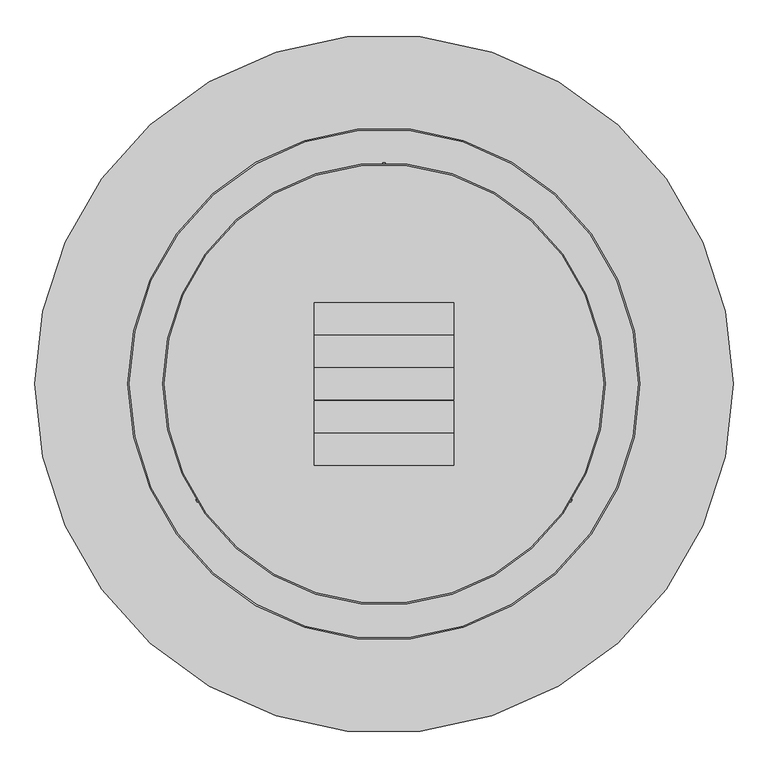
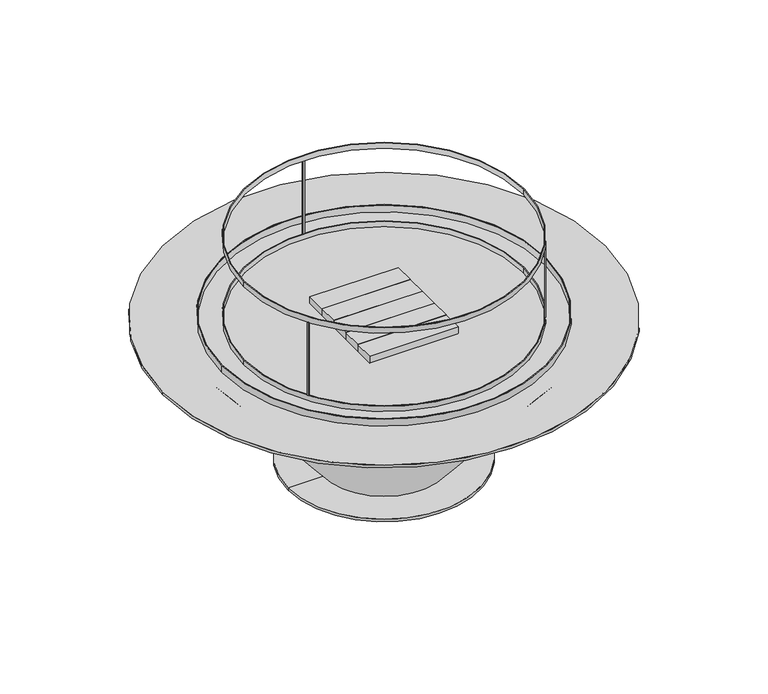
"""IFC4 building model written with IfcOpenShell, lengths in millimetres: proxy geometry."""

from ifc_helpers import new_model, si_unit, point, frame, origin, origin_2d, place, context, project, spatial, polyline, circle_curve, trimmed, segment, composite_curve, outline, extrude, source, transform, mapped, element, save
from ifc_brep_helpers import plane_surface, cylinder_surface, revolved_surface, advanced_brep


def generic_models_5333ff14(model_context):
    return source(origin(), model_context, "Body", "SolidModel", [
        extrude(outline(composite_curve([segment(trimmed(circle_curve(origin_2d(), 762.0), [point((-762.0, 0.0))], [point((762.0, 0.0))], False, "CARTESIAN"), True, "CONTINUOUS"), segment(trimmed(circle_curve(origin_2d(), 762.0), [point((762.0, 0.0))], [point((-762.0, 0.0))], False, "CARTESIAN"), True, "CONTINUOUS")], self_intersect=False)), frame((0.0, 0.0, 498.475), z_axis=(0.0, 0.0, 1.0), x_axis=(1.0, 0.0, 0.0)), (0.0, 0.0, 1.0), 9.525),
        advanced_brep(
        [(609.6, 0.0, 498.475), (-609.6, 0.0, 498.475), (-329.8846811, 0.0, 0.0), (329.8846811, 0.0, 0.0), (-210.9656051, 0.0, 9.525), (210.9656051, 0.0, 9.525), (329.8846811, 0.0, 9.525), (-329.8846811, 0.0, 9.525)],
        [
            (0, 1, circle_curve(frame((0.0, 0.0, 498.475), z_axis=(0.0, 0.0, 1.0), x_axis=(1.0, 0.0, 0.0)), 609.6)),
            (1, 0, circle_curve(frame((0.0, 0.0, 498.475), z_axis=(0.0, 0.0, 1.0), x_axis=(1.0, 0.0, 0.0)), 609.6)),
            (2, 3, circle_curve(frame((0.0, 0.0, 0.0), z_axis=(0.0, 0.0, -1.0), x_axis=(1.0, 0.0, 0.0)), 329.8846811)),
            (3, 2, circle_curve(frame((0.0, 0.0, 0.0), z_axis=(0.0, 0.0, -1.0), x_axis=(1.0, 0.0, 0.0)), 329.8846811)),
            (4, 1),
            (0, 5),
            (5, 4, circle_curve(frame((0.0, 0.0, 9.525), z_axis=(0.0, 0.0, 1.0), x_axis=(1.0, 0.0, 0.0)), 210.9656051)),
            (4, 5, circle_curve(frame((0.0, 0.0, 9.525), z_axis=(0.0, 0.0, 1.0), x_axis=(1.0, 0.0, 0.0)), 210.9656051)),
            (5, 6),
            (6, 7, circle_curve(frame((0.0, 0.0, 9.525), z_axis=(0.0, 0.0, 1.0), x_axis=(1.0, 0.0, 0.0)), 329.8846811)),
            (7, 4),
            (7, 6, circle_curve(frame((0.0, 0.0, 9.525), z_axis=(0.0, 0.0, 1.0), x_axis=(1.0, 0.0, 0.0)), 329.8846811)),
            (6, 3),
            (2, 7),
        ],
        [
            plane_surface(frame((609.6, 0.0, 498.475), z_axis=(0.0, 0.0, 1.0), x_axis=(0.0, 1.0, 0.0))),
            plane_surface(frame((609.6, 0.0, 0.0), z_axis=(0.0, 0.0, -1.0), x_axis=(0.0, -1.0, 0.0))),
            revolved_surface(polyline([(210.9656051, 0.0, 9.525), (609.6, 0.0, 498.475)]), (0.0, 0.0, 2214.3150031), (0.0, 0.0, 1.0)),
            plane_surface(frame((0.0, 0.0, 9.525), z_axis=(0.0, 0.0, 1.0), x_axis=(1.0, 0.0, 0.0))),
            cylinder_surface(frame((0.0, 0.0, 2214.3150031), z_axis=(0.0, 0.0, 1.0), x_axis=(1.0, 0.0, 0.0)), 329.8846811),
        ],
        [
            (0, [[1, 2]]),
            (1, [[3, 4]]),
            (2, [[5, -1, 6, 7]]),
            (2, [[-5, 8, -6, -2]]),
            (3, [[-7, 9, 10, 11]]),
            (3, [[-8, -11, 12, -9]]),
            (4, [[-10, 13, -3, 14]]),
            (4, [[-12, -14, -4, -13]]),
        ],
    ),
        extrude(outline(composite_curve([segment(trimmed(circle_curve(origin_2d(), 482.6), [point((-407.5766604, -258.426055))], [point((-410.9416477, -253.0409496))], False, "CARTESIAN"), True, "CONTINUOUS"), segment(polyline([(-410.9416477, -253.0409496), (-408.2490363, -251.3584193)]), True, "CONTINUOUS"), segment(trimmed(circle_curve(origin_2d(), 479.425), [point((-408.2490363, -251.3584193))], [point((-404.884049, -256.7435247))], True, "CARTESIAN"), True, "CONTINUOUS"), segment(polyline([(-404.884049, -256.7435247), (-407.5766604, -258.426055)]), True, "CONTINUOUS")], self_intersect=False)), frame((0.0, 0.0, 527.05), z_axis=(0.0, 0.0, 1.0), x_axis=(1.0, 0.0, 0.0)), (0.0, 0.0, 1.0), 266.7),
        extrude(outline(composite_curve([segment(trimmed(circle_curve(origin_2d(), 482.6), [point((410.9416477, -253.0409496))], [point((407.5766604, -258.426055))], False, "CARTESIAN"), True, "CONTINUOUS"), segment(polyline([(407.5766604, -258.426055), (404.884049, -256.7435247)]), True, "CONTINUOUS"), segment(trimmed(circle_curve(origin_2d(), 479.425), [point((404.884049, -256.7435247))], [point((408.2490363, -251.3584193))], True, "CARTESIAN"), True, "CONTINUOUS"), segment(polyline([(408.2490363, -251.3584193), (410.9416477, -253.0409496)]), True, "CONTINUOUS")], self_intersect=False)), frame((0.0, 0.0, 527.05), z_axis=(0.0, 0.0, 1.0), x_axis=(1.0, 0.0, 0.0)), (0.0, 0.0, 1.0), 266.7),
        extrude(outline(composite_curve([segment(trimmed(circle_curve(origin_2d(), 482.6), [point((-3.175, 482.5895558))], [point((3.175, 482.5895558))], False, "CARTESIAN"), True, "CONTINUOUS"), segment(polyline([(3.175, 482.5895558), (3.175, 479.4144866)]), True, "CONTINUOUS"), segment(trimmed(circle_curve(origin_2d(), 479.425), [point((3.175, 479.4144866))], [point((-3.175, 479.4144866))], True, "CARTESIAN"), True, "CONTINUOUS"), segment(polyline([(-3.175, 479.4144866), (-3.175, 482.5895558)]), True, "CONTINUOUS")], self_intersect=False)), frame((0.0, 0.0, 527.05), z_axis=(0.0, 0.0, 1.0), x_axis=(1.0, 0.0, 0.0)), (0.0, 0.0, 1.0), 266.7),
        extrude(outline(composite_curve([segment(trimmed(circle_curve(origin_2d(), 482.6), [point((-482.6, 0.0))], [point((482.6, 0.0))], False, "CARTESIAN"), True, "CONTINUOUS"), segment(trimmed(circle_curve(origin_2d(), 482.6), [point((482.6, 0.0))], [point((-482.6, 0.0))], False, "CARTESIAN"), True, "CONTINUOUS")], self_intersect=False), holes=[composite_curve([segment(trimmed(circle_curve(origin_2d(), 479.425), [point((-479.425, 0.0))], [point((479.425, 0.0))], True, "CARTESIAN"), True, "CONTINUOUS"), segment(trimmed(circle_curve(origin_2d(), 479.425), [point((479.425, 0.0))], [point((-479.425, 0.0))], True, "CARTESIAN"), True, "CONTINUOUS")], self_intersect=False)]), frame((0.0, 0.0, 793.75), z_axis=(0.0, 0.0, 1.0), x_axis=(1.0, 0.0, 0.0)), (0.0, 0.0, 1.0), 19.05),
        extrude(outline(composite_curve([segment(trimmed(circle_curve(origin_2d(), 482.6), [point((-482.6, 0.0))], [point((482.6, 0.0))], False, "CARTESIAN"), True, "CONTINUOUS"), segment(trimmed(circle_curve(origin_2d(), 482.6), [point((482.6, 0.0))], [point((-482.6, 0.0))], False, "CARTESIAN"), True, "CONTINUOUS")], self_intersect=False), holes=[composite_curve([segment(trimmed(circle_curve(origin_2d(), 479.425), [point((-479.425, 0.0))], [point((479.425, 0.0))], True, "CARTESIAN"), True, "CONTINUOUS"), segment(trimmed(circle_curve(origin_2d(), 479.425), [point((479.425, 0.0))], [point((-479.425, 0.0))], True, "CARTESIAN"), True, "CONTINUOUS")], self_intersect=False)]), frame((0.0, 0.0, 508.0), z_axis=(0.0, 0.0, 1.0), x_axis=(1.0, 0.0, 0.0)), (0.0, 0.0, 1.0), 19.05),
        extrude(outline(composite_curve([segment(trimmed(circle_curve(origin_2d(), 558.8), [point((-558.8, 0.0))], [point((558.8, 0.0))], False, "CARTESIAN"), True, "CONTINUOUS"), segment(trimmed(circle_curve(origin_2d(), 558.8), [point((558.8, 0.0))], [point((-558.8, 0.0))], False, "CARTESIAN"), True, "CONTINUOUS")], self_intersect=False), holes=[composite_curve([segment(trimmed(circle_curve(origin_2d(), 555.625), [point((-555.625, 0.0))], [point((555.625, 0.0))], True, "CARTESIAN"), True, "CONTINUOUS"), segment(trimmed(circle_curve(origin_2d(), 555.625), [point((555.625, 0.0))], [point((-555.625, 0.0))], True, "CARTESIAN"), True, "CONTINUOUS")], self_intersect=False)]), frame((0.0, 0.0, 508.0), z_axis=(0.0, 0.0, 1.0), x_axis=(1.0, 0.0, 0.0)), (0.0, 0.0, 1.0), 25.4),
        extrude(outline(polyline([(152.4, 107.823), (-152.4, 107.823), (-152.4, 177.673), (152.4, 177.673), (152.4, 107.823)])), frame((0.0, 0.0, 508.0), z_axis=(0.0, 0.0, 1.0), x_axis=(1.0, 0.0, 0.0)), (0.0, 0.0, 1.0), 25.4),
        extrude(outline(polyline([(152.4, 36.449), (-152.4, 36.449), (-152.4, 106.299), (152.4, 106.299), (152.4, 36.449)])), frame((0.0, 0.0, 508.0), z_axis=(0.0, 0.0, 1.0), x_axis=(1.0, 0.0, 0.0)), (0.0, 0.0, 1.0), 25.4),
        extrude(outline(polyline([(152.4, -34.925), (-152.4, -34.925), (-152.4, 34.925), (152.4, 34.925), (152.4, -34.925)])), frame((0.0, 0.0, 508.0), z_axis=(0.0, 0.0, 1.0), x_axis=(1.0, 0.0, 0.0)), (0.0, 0.0, 1.0), 25.4),
        extrude(outline(polyline([(152.4, -106.299), (-152.4, -106.299), (-152.4, -36.449), (152.4, -36.449), (152.4, -106.299)])), frame((0.0, 0.0, 508.0), z_axis=(0.0, 0.0, 1.0), x_axis=(1.0, 0.0, 0.0)), (0.0, 0.0, 1.0), 25.4),
        extrude(outline(polyline([(152.4, -177.673), (-152.4, -177.673), (-152.4, -107.823), (152.4, -107.823), (152.4, -177.673)])), frame((0.0, 0.0, 508.0), z_axis=(0.0, 0.0, 1.0), x_axis=(1.0, 0.0, 0.0)), (0.0, 0.0, 1.0), 25.4),
    ])


if __name__ == "__main__":
    model = new_model("IFC4")
    model_context = context("Model", 3, world=origin())
    ifc_project = project(units=[si_unit("LENGTHUNIT", "METRE", prefix="MILLI")], contexts=[model_context])
    site = spatial("IfcSite", under=ifc_project)
    building = spatial("IfcBuilding", under=site)
    placement = place(None, origin())
    generic_models_shape = generic_models_5333ff14(model_context)
    element("IfcBuildingElementProxy", 1, Name="Generic Models", at=placement, inside=building, context=model_context, shape_type="MappedRepresentation", body=[
        mapped(generic_models_shape, transform((0.0, 0.0, 0.0), x_axis=(1.0, 0.0, 0.0), y_axis=(0.0, 1.0, 0.0), z_axis=(0.0, 0.0, 1.0))),
    ])
    save(model, "model.ifc")
